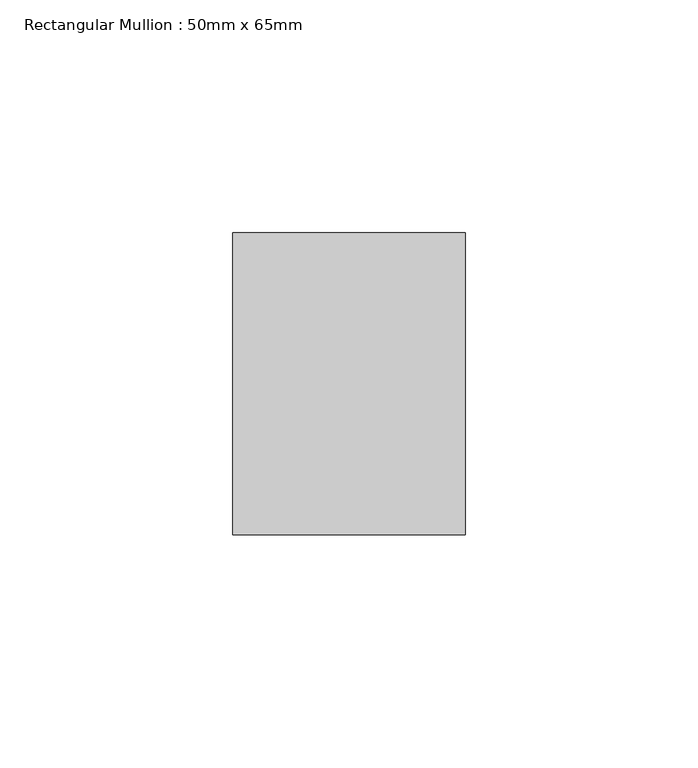
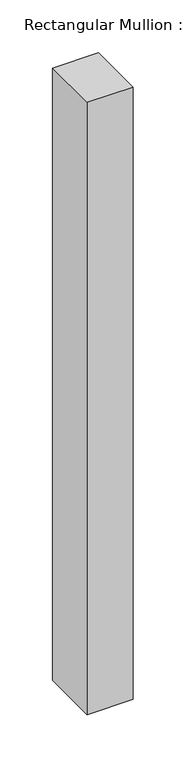
"""IFC4 building model written with IfcOpenShell, lengths in millimetres: member geometry, Rectangular Mullion : 50mm x 65mm."""

import ifcopenshell
import ifcopenshell.guid

model = None  # the IFC model being written
_history = None  # IfcOwnerHistory: only IFC2X3 demands one
_inside = {}  # id of a spatial element -> (the spatial element, [elements in it])
_under = {}  # id of a project, library or spatial element -> (it, [spatial elements below it])
_declared = {}  # id of a project -> (the project, [libraries it declares])
_typed = {}  # id of a type object -> (the type object, [elements of that type])
_made_of = {}  # id of a material, layer set ... -> (it, [elements and type objects made of it])


def new_model(schema):
    """Start an empty IFC model of exactly this schema.

    Asked for "IFC4X3", IfcOpenShell would pick the latest addendum, in which some entities
    have other attributes; the version numbers below select the first issue.
    IFC2X3 requires an IfcOwnerHistory on every rooted entity: one is made here for all.
    """
    global model, _history
    if schema == "IFC4X3":
        model = ifcopenshell.file(schema_version=(4, 3, 0, 0))
    else:
        model = ifcopenshell.file(schema=schema)
    _inside.clear()
    _under.clear()
    _declared.clear()
    _typed.clear()
    _made_of.clear()
    _history = None
    if model.schema == "IFC2X3":
        org = make("IfcOrganization", Name="unknown")
        user = make(
            "IfcPersonAndOrganization",
            ThePerson=make("IfcPerson", FamilyName="unknown"),
            TheOrganization=org,
        )
        app = make(
            "IfcApplication",
            ApplicationDeveloper=org,
            Version="unknown",
            ApplicationFullName="unknown",
            ApplicationIdentifier="unknown",
        )
        _history = make(
            "IfcOwnerHistory",
            OwningUser=user,
            OwningApplication=app,
            ChangeAction="ADDED",
            CreationDate=0,
        )
    return model


def make(cls, **values):
    """One entity of the class cls with the attributes given. An attribute that is None is left unset."""
    return model.create_entity(
        cls, **{name: value for name, value in values.items() if value is not None}
    )


def rooted(cls, **values):
    """An entity with a GlobalId (a new one), such as an element, a storey or a relation."""
    return make(cls, GlobalId=ifcopenshell.guid.new(), OwnerHistory=_history, **values)


def si_unit(unit_type, name, prefix=None):
    """IfcSIUnit, for example si_unit("LENGTHUNIT", "METRE", prefix="MILLI")."""
    return make("IfcSIUnit", UnitType=unit_type, Prefix=prefix, Name=name)


def assignment(units):
    """IfcUnitAssignment: the units of a project."""
    return None if units is None else make("IfcUnitAssignment", Units=units)


def point(xyz):
    """IfcCartesianPoint."""
    return None if xyz is None else make("IfcCartesianPoint", Coordinates=xyz)


def direction(xyz):
    """IfcDirection."""
    return None if xyz is None else make("IfcDirection", DirectionRatios=xyz)


def frame(location, z_axis=None, x_axis=None):
    """IfcAxis2Placement3D, a coordinate frame: its origin and axes. An axis left out is left unset."""
    return make(
        "IfcAxis2Placement3D",
        Location=point(location),
        Axis=direction(z_axis),
        RefDirection=direction(x_axis),
    )


def origin():
    """The frame at (0, 0, 0) with its axes left unset."""
    return frame((0.0, 0.0, 0.0))


def place(relative_to, where):
    """IfcLocalPlacement: puts the frame where relative to a parent placement (None: the world)."""
    return make(
        "IfcLocalPlacement", PlacementRelTo=relative_to, RelativePlacement=where
    )


def context(
    kind, dimensions, precision=None, world=None, true_north=None, identifier=None
):
    """IfcGeometricRepresentationContext, for example the 3D "Model" context."""
    return make(
        "IfcGeometricRepresentationContext",
        ContextIdentifier=identifier,
        ContextType=kind,
        CoordinateSpaceDimension=dimensions,
        Precision=precision,
        WorldCoordinateSystem=world,
        TrueNorth=true_north,
    )


def project(units=None, contexts=None):
    """IfcProject with its units and contexts."""
    return rooted(
        "IfcProject",
        Name="project",
        RepresentationContexts=contexts,
        UnitsInContext=assignment(units),
    )


def spatial(cls, under=None, at=None, **own):
    """A site, building, storey or space (cls), placed at a placement, below another one or the project."""
    s = rooted(cls, ObjectPlacement=at, **own)
    if under is not None:
        _under.setdefault(under.id(), (under, []))[1].append(s)
    return s


def polyline(points):
    """IfcPolyline through the points."""
    return make("IfcPolyline", Points=[point(p) for p in points])


def outline(outer, holes=None, kind="AREA"):
    """IfcArbitraryClosedProfileDef: a profile drawn as a closed curve; with holes, ...WithVoids."""
    if holes is None:
        return make("IfcArbitraryClosedProfileDef", ProfileType=kind, OuterCurve=outer)
    return make(
        "IfcArbitraryProfileDefWithVoids",
        ProfileType=kind,
        OuterCurve=outer,
        InnerCurves=holes,
    )


def extrude(swept, where, along, depth):
    """IfcExtrudedAreaSolid: the profile swept, set in the frame where, extruded along a direction by depth."""
    return make(
        "IfcExtrudedAreaSolid",
        SweptArea=swept,
        Position=where,
        ExtrudedDirection=direction(along),
        Depth=depth,
    )


def shape(context_of_items, identifier, shape_type, items):
    """IfcShapeRepresentation: the items that make up one representation, for example the "Body"."""
    return make(
        "IfcShapeRepresentation",
        ContextOfItems=context_of_items,
        RepresentationIdentifier=identifier,
        RepresentationType=shape_type,
        Items=items,
    )


def source(mapping_origin, context_of_items, identifier, shape_type, items):
    """IfcRepresentationMap: a shape defined once, which mapped items show again and again."""
    return make(
        "IfcRepresentationMap",
        MappingOrigin=mapping_origin,
        MappedRepresentation=shape(context_of_items, identifier, shape_type, items),
    )


def transform(
    local_origin,
    x_axis=None,
    y_axis=None,
    z_axis=None,
    scale=None,
    scale2=None,
    scale3=None,
    uniform=True,
):
    """IfcCartesianTransformationOperator3D, or its non-uniform kind. x_axis, y_axis, z_axis: its Axis1, 2, 3."""
    if uniform:
        return make(
            "IfcCartesianTransformationOperator3D",
            Axis1=direction(x_axis),
            Axis2=direction(y_axis),
            LocalOrigin=point(local_origin),
            Scale=scale,
            Axis3=direction(z_axis),
        )
    return make(
        "IfcCartesianTransformationOperator3DnonUniform",
        Axis1=direction(x_axis),
        Axis2=direction(y_axis),
        LocalOrigin=point(local_origin),
        Scale=scale,
        Axis3=direction(z_axis),
        Scale2=scale2,
        Scale3=scale3,
    )


def mapped(mapping_source, mapping_target):
    """IfcMappedItem: shows the shape of a source again, moved by a transform."""
    return make(
        "IfcMappedItem", MappingSource=mapping_source, MappingTarget=mapping_target
    )


def made_of(thing, what):
    """Note that an element or type object is made of a material, layer set ...; save() writes the relation."""
    if what is not None:
        _made_of.setdefault(what.id(), (what, []))[1].append(thing)
    return thing


def element(
    cls,
    number,
    at=None,
    inside=None,
    cuts=None,
    type_object=None,
    material=None,
    context=None,
    identifier="Body",
    shape_type=None,
    held_by="IfcProductDefinitionShape",
    body=None,
    shapes=None,
    **own,
):
    """One element of the class cls, such as IfcWall. Its Tag is "e" and its number.

    at: its placement. inside: the storey or other place that contains it. cuts: it is an
    opening in that element (IfcRelVoidsElement). A single representation is given by context,
    identifier, shape_type and body (its items); several are given by shapes. held_by: the class
    of the entity that holds the representations. save() writes the other relations.
    """
    e = rooted(cls, Tag="e%d" % number, ObjectPlacement=at, **own)
    if body is not None:
        shapes = [shape(context, identifier, shape_type, body)]
    if shapes is not None:
        e.Representation = make(held_by, Representations=shapes)
    if inside is not None:
        _inside.setdefault(inside.id(), (inside, []))[1].append(e)
    if cuts is not None:
        rooted(
            "IfcRelVoidsElement", RelatingBuildingElement=cuts, RelatedOpeningElement=e
        )
    if type_object is not None:
        _typed.setdefault(type_object.id(), (type_object, []))[1].append(e)
    return made_of(e, material)


def aggregate(whole, parts):
    """IfcRelAggregates: a whole, such as a stair, and the parts it consists of."""
    return rooted("IfcRelAggregates", RelatingObject=whole, RelatedObjects=parts)


def save(model, path):
    """Write the relations noted so far, then the file.

    IfcRelAggregates (storeys below a building ...), IfcRelContainedInSpatialStructure (elements
    in a storey), IfcRelDefinesByType, IfcRelAssociatesMaterial and IfcRelDeclares: one each for
    every whole, place, type object, material and project.
    """
    for whole, parts in _under.values():
        aggregate(whole, parts)
    for where, things in _inside.values():
        rooted(
            "IfcRelContainedInSpatialStructure",
            RelatedElements=things,
            RelatingStructure=where,
        )
    for kind, things in _typed.values():
        rooted("IfcRelDefinesByType", RelatedObjects=things, RelatingType=kind)
    for what, things in _made_of.values():
        rooted("IfcRelAssociatesMaterial", RelatedObjects=things, RelatingMaterial=what)
    for by, libraries in _declared.values():
        rooted("IfcRelDeclares", RelatingContext=by, RelatedDefinitions=libraries)
    model.write(path)


def rectangular_mullion_50mm_x_65mm_e5de7e28(model_context):
    return source(origin(), model_context, "Body", "SweptSolid", [
        extrude(outline(polyline([(25.0, 32.5), (25.0, -32.5), (-25.0, -32.5), (-25.0, 32.5), (25.0, 32.5)])), frame((0.0, 0.0, -705.7730118), z_axis=(0.0, 0.0, 1.0), x_axis=(1.0, 0.0, 0.0)), (0.0, 0.0, 1.0), 705.7730118),
    ])


if __name__ == "__main__":
    model = new_model("IFC4")
    model_context = context("Model", 3, world=origin())
    ifc_project = project(units=[si_unit("LENGTHUNIT", "METRE", prefix="MILLI")], contexts=[model_context])
    site = spatial("IfcSite", under=ifc_project)
    building = spatial("IfcBuilding", under=site)
    placement = place(None, origin())
    rectangular_mullion_50mm_x_65mm_shape = rectangular_mullion_50mm_x_65mm_e5de7e28(model_context)
    element("IfcMember", 1, ObjectType="Rectangular Mullion : 50mm x 65mm", at=placement, inside=building, context=model_context, shape_type="MappedRepresentation", body=[
        mapped(rectangular_mullion_50mm_x_65mm_shape, transform((0.0, 0.0, 0.0), x_axis=(1.0, 0.0, 0.0), y_axis=(0.0, 1.0, 0.0), z_axis=(0.0, 0.0, 1.0))),
    ])
    save(model, "model.ifc")
